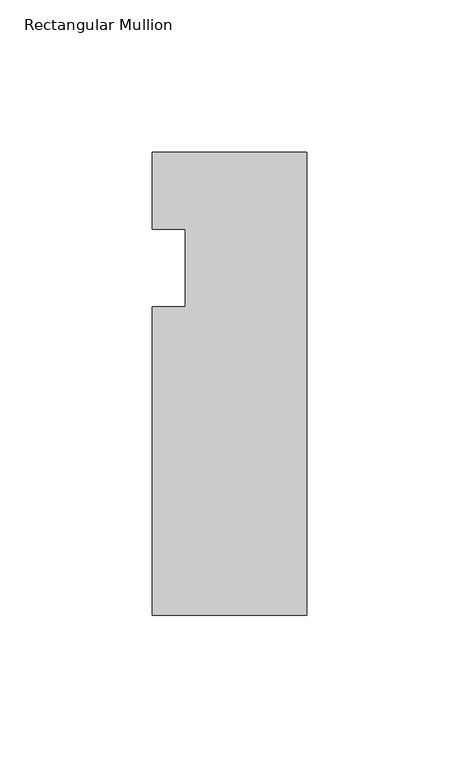
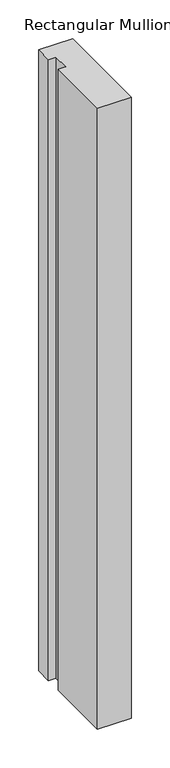
"""IFC4 building model written with IfcOpenShell, lengths in millimetres: member geometry, Rectangular Mullion."""

import ifcopenshell
import ifcopenshell.guid

model = None  # the IFC model being written
_history = None  # IfcOwnerHistory: only IFC2X3 demands one
_inside = {}  # id of a spatial element -> (the spatial element, [elements in it])
_under = {}  # id of a project, library or spatial element -> (it, [spatial elements below it])
_declared = {}  # id of a project -> (the project, [libraries it declares])
_typed = {}  # id of a type object -> (the type object, [elements of that type])
_made_of = {}  # id of a material, layer set ... -> (it, [elements and type objects made of it])


def new_model(schema):
    """Start an empty IFC model of exactly this schema.

    Asked for "IFC4X3", IfcOpenShell would pick the latest addendum, in which some entities
    have other attributes; the version numbers below select the first issue.
    IFC2X3 requires an IfcOwnerHistory on every rooted entity: one is made here for all.
    """
    global model, _history
    if schema == "IFC4X3":
        model = ifcopenshell.file(schema_version=(4, 3, 0, 0))
    else:
        model = ifcopenshell.file(schema=schema)
    _inside.clear()
    _under.clear()
    _declared.clear()
    _typed.clear()
    _made_of.clear()
    _history = None
    if model.schema == "IFC2X3":
        org = make("IfcOrganization", Name="unknown")
        user = make(
            "IfcPersonAndOrganization",
            ThePerson=make("IfcPerson", FamilyName="unknown"),
            TheOrganization=org,
        )
        app = make(
            "IfcApplication",
            ApplicationDeveloper=org,
            Version="unknown",
            ApplicationFullName="unknown",
            ApplicationIdentifier="unknown",
        )
        _history = make(
            "IfcOwnerHistory",
            OwningUser=user,
            OwningApplication=app,
            ChangeAction="ADDED",
            CreationDate=0,
        )
    return model


def make(cls, **values):
    """One entity of the class cls with the attributes given. An attribute that is None is left unset."""
    return model.create_entity(
        cls, **{name: value for name, value in values.items() if value is not None}
    )


def rooted(cls, **values):
    """An entity with a GlobalId (a new one), such as an element, a storey or a relation."""
    return make(cls, GlobalId=ifcopenshell.guid.new(), OwnerHistory=_history, **values)


def si_unit(unit_type, name, prefix=None):
    """IfcSIUnit, for example si_unit("LENGTHUNIT", "METRE", prefix="MILLI")."""
    return make("IfcSIUnit", UnitType=unit_type, Prefix=prefix, Name=name)


def assignment(units):
    """IfcUnitAssignment: the units of a project."""
    return None if units is None else make("IfcUnitAssignment", Units=units)


def point(xyz):
    """IfcCartesianPoint."""
    return None if xyz is None else make("IfcCartesianPoint", Coordinates=xyz)


def direction(xyz):
    """IfcDirection."""
    return None if xyz is None else make("IfcDirection", DirectionRatios=xyz)


def frame(location, z_axis=None, x_axis=None):
    """IfcAxis2Placement3D, a coordinate frame: its origin and axes. An axis left out is left unset."""
    return make(
        "IfcAxis2Placement3D",
        Location=point(location),
        Axis=direction(z_axis),
        RefDirection=direction(x_axis),
    )


def origin():
    """The frame at (0, 0, 0) with its axes left unset."""
    return frame((0.0, 0.0, 0.0))


def place(relative_to, where):
    """IfcLocalPlacement: puts the frame where relative to a parent placement (None: the world)."""
    return make(
        "IfcLocalPlacement", PlacementRelTo=relative_to, RelativePlacement=where
    )


def context(
    kind, dimensions, precision=None, world=None, true_north=None, identifier=None
):
    """IfcGeometricRepresentationContext, for example the 3D "Model" context."""
    return make(
        "IfcGeometricRepresentationContext",
        ContextIdentifier=identifier,
        ContextType=kind,
        CoordinateSpaceDimension=dimensions,
        Precision=precision,
        WorldCoordinateSystem=world,
        TrueNorth=true_north,
    )


def project(units=None, contexts=None):
    """IfcProject with its units and contexts."""
    return rooted(
        "IfcProject",
        Name="project",
        RepresentationContexts=contexts,
        UnitsInContext=assignment(units),
    )


def spatial(cls, under=None, at=None, **own):
    """A site, building, storey or space (cls), placed at a placement, below another one or the project."""
    s = rooted(cls, ObjectPlacement=at, **own)
    if under is not None:
        _under.setdefault(under.id(), (under, []))[1].append(s)
    return s


def polyline(points):
    """IfcPolyline through the points."""
    return make("IfcPolyline", Points=[point(p) for p in points])


def outline(outer, holes=None, kind="AREA"):
    """IfcArbitraryClosedProfileDef: a profile drawn as a closed curve; with holes, ...WithVoids."""
    if holes is None:
        return make("IfcArbitraryClosedProfileDef", ProfileType=kind, OuterCurve=outer)
    return make(
        "IfcArbitraryProfileDefWithVoids",
        ProfileType=kind,
        OuterCurve=outer,
        InnerCurves=holes,
    )


def extrude(swept, where, along, depth):
    """IfcExtrudedAreaSolid: the profile swept, set in the frame where, extruded along a direction by depth."""
    return make(
        "IfcExtrudedAreaSolid",
        SweptArea=swept,
        Position=where,
        ExtrudedDirection=direction(along),
        Depth=depth,
    )


def shape(context_of_items, identifier, shape_type, items):
    """IfcShapeRepresentation: the items that make up one representation, for example the "Body"."""
    return make(
        "IfcShapeRepresentation",
        ContextOfItems=context_of_items,
        RepresentationIdentifier=identifier,
        RepresentationType=shape_type,
        Items=items,
    )


def source(mapping_origin, context_of_items, identifier, shape_type, items):
    """IfcRepresentationMap: a shape defined once, which mapped items show again and again."""
    return make(
        "IfcRepresentationMap",
        MappingOrigin=mapping_origin,
        MappedRepresentation=shape(context_of_items, identifier, shape_type, items),
    )


def transform(
    local_origin,
    x_axis=None,
    y_axis=None,
    z_axis=None,
    scale=None,
    scale2=None,
    scale3=None,
    uniform=True,
):
    """IfcCartesianTransformationOperator3D, or its non-uniform kind. x_axis, y_axis, z_axis: its Axis1, 2, 3."""
    if uniform:
        return make(
            "IfcCartesianTransformationOperator3D",
            Axis1=direction(x_axis),
            Axis2=direction(y_axis),
            LocalOrigin=point(local_origin),
            Scale=scale,
            Axis3=direction(z_axis),
        )
    return make(
        "IfcCartesianTransformationOperator3DnonUniform",
        Axis1=direction(x_axis),
        Axis2=direction(y_axis),
        LocalOrigin=point(local_origin),
        Scale=scale,
        Axis3=direction(z_axis),
        Scale2=scale2,
        Scale3=scale3,
    )


def mapped(mapping_source, mapping_target):
    """IfcMappedItem: shows the shape of a source again, moved by a transform."""
    return make(
        "IfcMappedItem", MappingSource=mapping_source, MappingTarget=mapping_target
    )


def made_of(thing, what):
    """Note that an element or type object is made of a material, layer set ...; save() writes the relation."""
    if what is not None:
        _made_of.setdefault(what.id(), (what, []))[1].append(thing)
    return thing


def element(
    cls,
    number,
    at=None,
    inside=None,
    cuts=None,
    type_object=None,
    material=None,
    context=None,
    identifier="Body",
    shape_type=None,
    held_by="IfcProductDefinitionShape",
    body=None,
    shapes=None,
    **own,
):
    """One element of the class cls, such as IfcWall. Its Tag is "e" and its number.

    at: its placement. inside: the storey or other place that contains it. cuts: it is an
    opening in that element (IfcRelVoidsElement). A single representation is given by context,
    identifier, shape_type and body (its items); several are given by shapes. held_by: the class
    of the entity that holds the representations. save() writes the other relations.
    """
    e = rooted(cls, Tag="e%d" % number, ObjectPlacement=at, **own)
    if body is not None:
        shapes = [shape(context, identifier, shape_type, body)]
    if shapes is not None:
        e.Representation = make(held_by, Representations=shapes)
    if inside is not None:
        _inside.setdefault(inside.id(), (inside, []))[1].append(e)
    if cuts is not None:
        rooted(
            "IfcRelVoidsElement", RelatingBuildingElement=cuts, RelatedOpeningElement=e
        )
    if type_object is not None:
        _typed.setdefault(type_object.id(), (type_object, []))[1].append(e)
    return made_of(e, material)


def aggregate(whole, parts):
    """IfcRelAggregates: a whole, such as a stair, and the parts it consists of."""
    return rooted("IfcRelAggregates", RelatingObject=whole, RelatedObjects=parts)


def save(model, path):
    """Write the relations noted so far, then the file.

    IfcRelAggregates (storeys below a building ...), IfcRelContainedInSpatialStructure (elements
    in a storey), IfcRelDefinesByType, IfcRelAssociatesMaterial and IfcRelDeclares: one each for
    every whole, place, type object, material and project.
    """
    for whole, parts in _under.values():
        aggregate(whole, parts)
    for where, things in _inside.values():
        rooted(
            "IfcRelContainedInSpatialStructure",
            RelatedElements=things,
            RelatingStructure=where,
        )
    for kind, things in _typed.values():
        rooted("IfcRelDefinesByType", RelatedObjects=things, RelatingType=kind)
    for what, things in _made_of.values():
        rooted("IfcRelAssociatesMaterial", RelatedObjects=things, RelatingMaterial=what)
    for by, libraries in _declared.values():
        rooted("IfcRelDeclares", RelatingContext=by, RelatedDefinitions=libraries)
    model.write(path)


def rectangular_mullion_3f509c15(model_context):
    return source(origin(), model_context, "Body", "SweptSolid", [
        extrude(outline(polyline([(0.0, 0.0), (0.0, -152.4), (-50.8, -152.4), (-50.8, -50.8), (-39.798625, -50.8), (-39.798625, -25.4), (-50.8, -25.4), (-50.8, 0.0), (0.0, 0.0)])), frame((0.0, 0.0, -982.1335236), z_axis=(0.0, 0.0, 1.0), x_axis=(1.0, 0.0, 0.0)), (0.0, 0.0, 1.0), 982.1335236),
    ])


if __name__ == "__main__":
    model = new_model("IFC4")
    model_context = context("Model", 3, world=origin())
    ifc_project = project(units=[si_unit("LENGTHUNIT", "METRE", prefix="MILLI")], contexts=[model_context])
    site = spatial("IfcSite", under=ifc_project)
    building = spatial("IfcBuilding", under=site)
    placement = place(None, origin())
    rectangular_mullion_shape = rectangular_mullion_3f509c15(model_context)
    element("IfcMember", 1, ObjectType="Rectangular Mullion", at=placement, inside=building, context=model_context, shape_type="MappedRepresentation", body=[
        mapped(rectangular_mullion_shape, transform((0.0, 0.0, 0.0), x_axis=(1.0, 0.0, 0.0), y_axis=(0.0, 1.0, 0.0), z_axis=(0.0, 0.0, 1.0))),
    ])
    save(model, "model.ifc")
